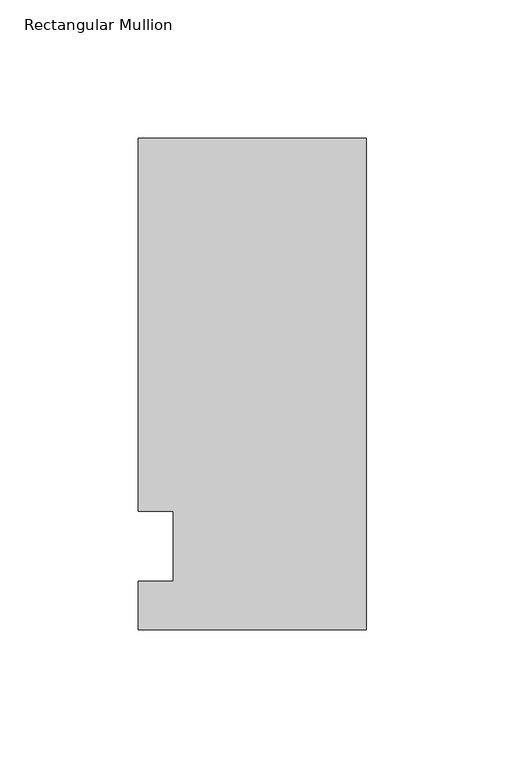
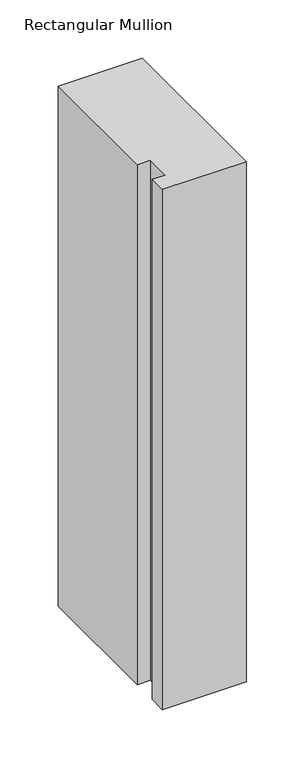
"""IFC4 building model written with IfcOpenShell, lengths in millimetres: member geometry, Rectangular Mullion."""

from ifc_helpers import new_model, si_unit, frame, origin, place, context, project, spatial, polyline, outline, extrude, source, transform, mapped, element, save


def rectangular_mullion_50243fbd(model_context):
    return source(origin(), model_context, "Body", "SweptSolid", [
        extrude(outline(polyline([(41.275, 147.6375), (41.275, -30.1625), (-41.275, -30.1625), (-41.275, -12.7), (-28.575, -12.7), (-28.575, 12.7), (-41.275, 12.7), (-41.275, 147.6375), (41.275, 147.6375)])), frame((0.0, 0.0, -542.925), z_axis=(0.0, 0.0, 1.0), x_axis=(1.0, 0.0, 0.0)), (0.0, 0.0, 1.0), 542.925),
    ])


if __name__ == "__main__":
    model = new_model("IFC4")
    model_context = context("Model", 3, world=origin())
    ifc_project = project(units=[si_unit("LENGTHUNIT", "METRE", prefix="MILLI")], contexts=[model_context])
    site = spatial("IfcSite", under=ifc_project)
    building = spatial("IfcBuilding", under=site)
    placement = place(None, origin())
    rectangular_mullion_shape = rectangular_mullion_50243fbd(model_context)
    element("IfcMember", 1, ObjectType="Rectangular Mullion", at=placement, inside=building, context=model_context, shape_type="MappedRepresentation", body=[
        mapped(rectangular_mullion_shape, transform((0.0, 0.0, 0.0), x_axis=(1.0, 0.0, 0.0), y_axis=(0.0, 1.0, 0.0), z_axis=(0.0, 0.0, 1.0))),
    ])
    save(model, "model.ifc")
